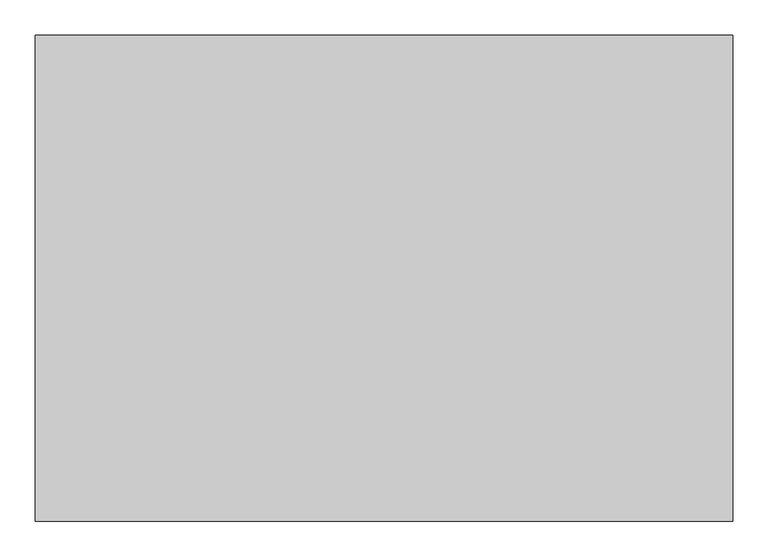
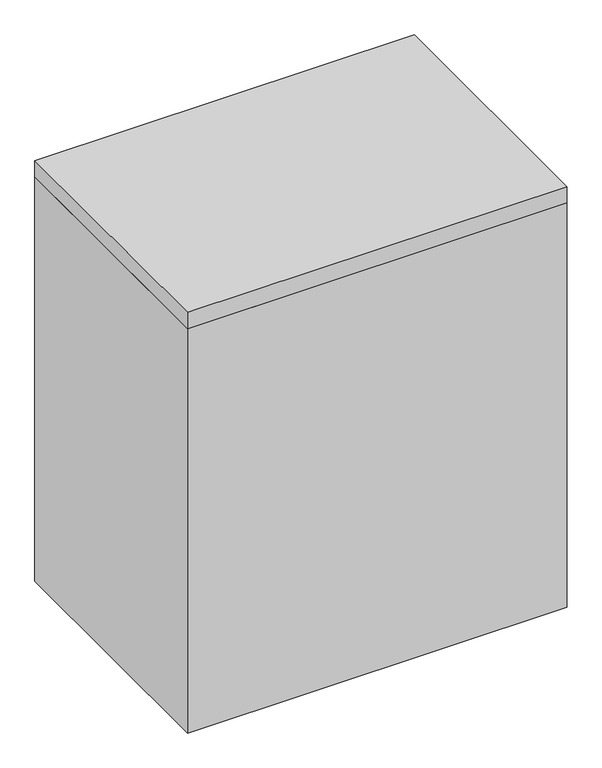
"""IFC4 building model written with IfcOpenShell, lengths in millimetres: proxy geometry."""

import ifcopenshell
import ifcopenshell.guid

model = None  # the IFC model being written
_history = None  # IfcOwnerHistory: only IFC2X3 demands one
_inside = {}  # id of a spatial element -> (the spatial element, [elements in it])
_under = {}  # id of a project, library or spatial element -> (it, [spatial elements below it])
_declared = {}  # id of a project -> (the project, [libraries it declares])
_typed = {}  # id of a type object -> (the type object, [elements of that type])
_made_of = {}  # id of a material, layer set ... -> (it, [elements and type objects made of it])


def new_model(schema):
    """Start an empty IFC model of exactly this schema.

    Asked for "IFC4X3", IfcOpenShell would pick the latest addendum, in which some entities
    have other attributes; the version numbers below select the first issue.
    IFC2X3 requires an IfcOwnerHistory on every rooted entity: one is made here for all.
    """
    global model, _history
    if schema == "IFC4X3":
        model = ifcopenshell.file(schema_version=(4, 3, 0, 0))
    else:
        model = ifcopenshell.file(schema=schema)
    _inside.clear()
    _under.clear()
    _declared.clear()
    _typed.clear()
    _made_of.clear()
    _history = None
    if model.schema == "IFC2X3":
        org = make("IfcOrganization", Name="unknown")
        user = make(
            "IfcPersonAndOrganization",
            ThePerson=make("IfcPerson", FamilyName="unknown"),
            TheOrganization=org,
        )
        app = make(
            "IfcApplication",
            ApplicationDeveloper=org,
            Version="unknown",
            ApplicationFullName="unknown",
            ApplicationIdentifier="unknown",
        )
        _history = make(
            "IfcOwnerHistory",
            OwningUser=user,
            OwningApplication=app,
            ChangeAction="ADDED",
            CreationDate=0,
        )
    return model


def make(cls, **values):
    """One entity of the class cls with the attributes given. An attribute that is None is left unset."""
    return model.create_entity(
        cls, **{name: value for name, value in values.items() if value is not None}
    )


def rooted(cls, **values):
    """An entity with a GlobalId (a new one), such as an element, a storey or a relation."""
    return make(cls, GlobalId=ifcopenshell.guid.new(), OwnerHistory=_history, **values)


def si_unit(unit_type, name, prefix=None):
    """IfcSIUnit, for example si_unit("LENGTHUNIT", "METRE", prefix="MILLI")."""
    return make("IfcSIUnit", UnitType=unit_type, Prefix=prefix, Name=name)


def assignment(units):
    """IfcUnitAssignment: the units of a project."""
    return None if units is None else make("IfcUnitAssignment", Units=units)


def point(xyz):
    """IfcCartesianPoint."""
    return None if xyz is None else make("IfcCartesianPoint", Coordinates=xyz)


def direction(xyz):
    """IfcDirection."""
    return None if xyz is None else make("IfcDirection", DirectionRatios=xyz)


def frame(location, z_axis=None, x_axis=None):
    """IfcAxis2Placement3D, a coordinate frame: its origin and axes. An axis left out is left unset."""
    return make(
        "IfcAxis2Placement3D",
        Location=point(location),
        Axis=direction(z_axis),
        RefDirection=direction(x_axis),
    )


def origin():
    """The frame at (0, 0, 0) with its axes left unset."""
    return frame((0.0, 0.0, 0.0))


def origin_with_axes():
    """The frame at (0, 0, 0) with the z axis (0, 0, 1) and the x axis (1, 0, 0) written out."""
    return frame((0.0, 0.0, 0.0), z_axis=(0.0, 0.0, 1.0), x_axis=(1.0, 0.0, 0.0))


def place(relative_to, where):
    """IfcLocalPlacement: puts the frame where relative to a parent placement (None: the world)."""
    return make(
        "IfcLocalPlacement", PlacementRelTo=relative_to, RelativePlacement=where
    )


def context(
    kind, dimensions, precision=None, world=None, true_north=None, identifier=None
):
    """IfcGeometricRepresentationContext, for example the 3D "Model" context."""
    return make(
        "IfcGeometricRepresentationContext",
        ContextIdentifier=identifier,
        ContextType=kind,
        CoordinateSpaceDimension=dimensions,
        Precision=precision,
        WorldCoordinateSystem=world,
        TrueNorth=true_north,
    )


def project(units=None, contexts=None):
    """IfcProject with its units and contexts."""
    return rooted(
        "IfcProject",
        Name="project",
        RepresentationContexts=contexts,
        UnitsInContext=assignment(units),
    )


def spatial(cls, under=None, at=None, **own):
    """A site, building, storey or space (cls), placed at a placement, below another one or the project."""
    s = rooted(cls, ObjectPlacement=at, **own)
    if under is not None:
        _under.setdefault(under.id(), (under, []))[1].append(s)
    return s


def polyline(points):
    """IfcPolyline through the points."""
    return make("IfcPolyline", Points=[point(p) for p in points])


def outline(outer, holes=None, kind="AREA"):
    """IfcArbitraryClosedProfileDef: a profile drawn as a closed curve; with holes, ...WithVoids."""
    if holes is None:
        return make("IfcArbitraryClosedProfileDef", ProfileType=kind, OuterCurve=outer)
    return make(
        "IfcArbitraryProfileDefWithVoids",
        ProfileType=kind,
        OuterCurve=outer,
        InnerCurves=holes,
    )


def extrude(swept, where, along, depth):
    """IfcExtrudedAreaSolid: the profile swept, set in the frame where, extruded along a direction by depth."""
    return make(
        "IfcExtrudedAreaSolid",
        SweptArea=swept,
        Position=where,
        ExtrudedDirection=direction(along),
        Depth=depth,
    )


def shape(context_of_items, identifier, shape_type, items):
    """IfcShapeRepresentation: the items that make up one representation, for example the "Body"."""
    return make(
        "IfcShapeRepresentation",
        ContextOfItems=context_of_items,
        RepresentationIdentifier=identifier,
        RepresentationType=shape_type,
        Items=items,
    )


def source(mapping_origin, context_of_items, identifier, shape_type, items):
    """IfcRepresentationMap: a shape defined once, which mapped items show again and again."""
    return make(
        "IfcRepresentationMap",
        MappingOrigin=mapping_origin,
        MappedRepresentation=shape(context_of_items, identifier, shape_type, items),
    )


def transform(
    local_origin,
    x_axis=None,
    y_axis=None,
    z_axis=None,
    scale=None,
    scale2=None,
    scale3=None,
    uniform=True,
):
    """IfcCartesianTransformationOperator3D, or its non-uniform kind. x_axis, y_axis, z_axis: its Axis1, 2, 3."""
    if uniform:
        return make(
            "IfcCartesianTransformationOperator3D",
            Axis1=direction(x_axis),
            Axis2=direction(y_axis),
            LocalOrigin=point(local_origin),
            Scale=scale,
            Axis3=direction(z_axis),
        )
    return make(
        "IfcCartesianTransformationOperator3DnonUniform",
        Axis1=direction(x_axis),
        Axis2=direction(y_axis),
        LocalOrigin=point(local_origin),
        Scale=scale,
        Axis3=direction(z_axis),
        Scale2=scale2,
        Scale3=scale3,
    )


def mapped(mapping_source, mapping_target):
    """IfcMappedItem: shows the shape of a source again, moved by a transform."""
    return make(
        "IfcMappedItem", MappingSource=mapping_source, MappingTarget=mapping_target
    )


def made_of(thing, what):
    """Note that an element or type object is made of a material, layer set ...; save() writes the relation."""
    if what is not None:
        _made_of.setdefault(what.id(), (what, []))[1].append(thing)
    return thing


def element(
    cls,
    number,
    at=None,
    inside=None,
    cuts=None,
    type_object=None,
    material=None,
    context=None,
    identifier="Body",
    shape_type=None,
    held_by="IfcProductDefinitionShape",
    body=None,
    shapes=None,
    **own,
):
    """One element of the class cls, such as IfcWall. Its Tag is "e" and its number.

    at: its placement. inside: the storey or other place that contains it. cuts: it is an
    opening in that element (IfcRelVoidsElement). A single representation is given by context,
    identifier, shape_type and body (its items); several are given by shapes. held_by: the class
    of the entity that holds the representations. save() writes the other relations.
    """
    e = rooted(cls, Tag="e%d" % number, ObjectPlacement=at, **own)
    if body is not None:
        shapes = [shape(context, identifier, shape_type, body)]
    if shapes is not None:
        e.Representation = make(held_by, Representations=shapes)
    if inside is not None:
        _inside.setdefault(inside.id(), (inside, []))[1].append(e)
    if cuts is not None:
        rooted(
            "IfcRelVoidsElement", RelatingBuildingElement=cuts, RelatedOpeningElement=e
        )
    if type_object is not None:
        _typed.setdefault(type_object.id(), (type_object, []))[1].append(e)
    return made_of(e, material)


def aggregate(whole, parts):
    """IfcRelAggregates: a whole, such as a stair, and the parts it consists of."""
    return rooted("IfcRelAggregates", RelatingObject=whole, RelatedObjects=parts)


def save(model, path):
    """Write the relations noted so far, then the file.

    IfcRelAggregates (storeys below a building ...), IfcRelContainedInSpatialStructure (elements
    in a storey), IfcRelDefinesByType, IfcRelAssociatesMaterial and IfcRelDeclares: one each for
    every whole, place, type object, material and project.
    """
    for whole, parts in _under.values():
        aggregate(whole, parts)
    for where, things in _inside.values():
        rooted(
            "IfcRelContainedInSpatialStructure",
            RelatedElements=things,
            RelatingStructure=where,
        )
    for kind, things in _typed.values():
        rooted("IfcRelDefinesByType", RelatedObjects=things, RelatingType=kind)
    for what, things in _made_of.values():
        rooted("IfcRelAssociatesMaterial", RelatedObjects=things, RelatingMaterial=what)
    for by, libraries in _declared.values():
        rooted("IfcRelDeclares", RelatingContext=by, RelatedDefinitions=libraries)
    model.write(path)


def specialty_equipment_86ddb6fb(model_context):
    return source(origin(), model_context, "Body", "SweptSolid", [
        extrude(outline(polyline([(495.0, 0.0), (495.0, -690.0), (-495.0, -690.0), (-495.0, 0.0), (495.0, 0.0)])), frame((0.0, 0.0, 1115.0), z_axis=(0.0, 0.0, 1.0), x_axis=(1.0, 0.0, 0.0)), (0.0, 0.0, 1.0), 45.0),
        extrude(outline(polyline([(495.0, 0.0), (495.0, -690.0), (-495.0, -690.0), (-495.0, 0.0), (495.0, 0.0)])), origin_with_axes(), (0.0, 0.0, 1.0), 1115.0),
    ])


if __name__ == "__main__":
    model = new_model("IFC4")
    model_context = context("Model", 3, world=origin())
    ifc_project = project(units=[si_unit("LENGTHUNIT", "METRE", prefix="MILLI")], contexts=[model_context])
    site = spatial("IfcSite", under=ifc_project)
    building = spatial("IfcBuilding", under=site)
    placement = place(None, origin())
    specialty_equipment_shape = specialty_equipment_86ddb6fb(model_context)
    element("IfcBuildingElementProxy", 1, Name="Specialty Equipment", at=placement, inside=building, context=model_context, shape_type="MappedRepresentation", body=[
        mapped(specialty_equipment_shape, transform((0.0, 0.0, 0.0), x_axis=(1.0, 0.0, 0.0), y_axis=(0.0, 1.0, 0.0), z_axis=(0.0, 0.0, 1.0))),
    ])
    save(model, "model.ifc")
